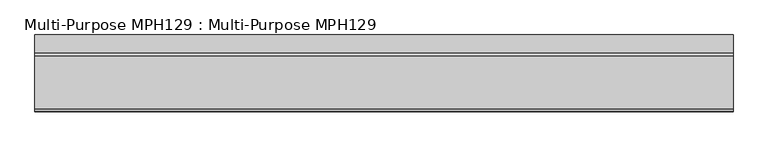
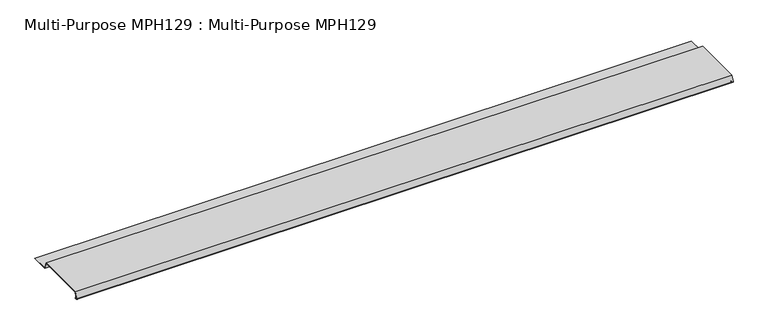
"""IFC4 building model written with IfcOpenShell, lengths in millimetres: proxy geometry, Multi-Purpose MPH129 : Multi-Purpose MPH129."""

from ifc_helpers import new_model, si_unit, point, frame, frame_2d, origin, place, context, project, spatial, polyline, circle_curve, trimmed, segment, composite_curve, outline, extrude, source, transform, mapped, element, save


def multi_purpose_mph129_multi_purpose_mph129_a3769326(model_context):
    return source(origin(), model_context, "Body", "SweptSolid", [
        extrude(outline(composite_curve([segment(polyline([(-236.730328, -28.1891155), (-237.2646426, -28.8016118), (-238.1457471, -28.0329753)]), True, "CONTINUOUS"), segment(trimmed(circle_curve(frame_2d((-239.4439646, -29.52115)), 1.97485), [point((-238.1457471, -28.0329753))], [point((-240.5337197, -27.8741934))], True, "CARTESIAN"), True, "CONTINUOUS"), segment(polyline([(-240.5337197, -27.8741934), (-243.3369511, -29.7290302)]), True, "CONTINUOUS"), segment(trimmed(circle_curve(frame_2d((-244.6509646, -27.74315)), 2.38125), [point((-243.3369511, -29.7290302))], [point((-246.8886076, -26.9287145))], False, "CARTESIAN"), True, "CONTINUOUS"), segment(polyline([(-246.8886076, -26.9287145), (-236.7915221, 0.8128), (-1.8415221, 0.8128), (9.4186978, -30.1244), (88.2477854, -30.1244), (88.2477854, -30.9372), (8.8495692, -30.9372), (-2.4106508, 0.0), (-236.2223934, 0.0), (-246.1248255, -27.2067085)]), True, "CONTINUOUS"), segment(trimmed(circle_curve(frame_2d((-244.6509646, -27.74315)), 1.56845), [point((-246.1248255, -27.2067085))], [point((-243.7854677, -29.0511831))], True, "CARTESIAN"), True, "CONTINUOUS"), segment(polyline([(-243.7854677, -29.0511831), (-240.9822363, -27.1963462)]), True, "CONTINUOUS"), segment(trimmed(circle_curve(frame_2d((-239.4439646, -29.52115)), 2.78765), [point((-240.9822363, -27.1963462))], [point((-237.6114325, -27.420479))], False, "CARTESIAN"), True, "CONTINUOUS"), segment(polyline([(-237.6114325, -27.420479), (-236.730328, -28.1891155)]), True, "CONTINUOUS")], self_intersect=False)), frame((-1102.2989423, 0.0, 0.0), z_axis=(1.0, 0.0, 0.0), x_axis=(0.0, 1.0, 0.0)), (0.0, 0.0, 1.0), 3048.0),
    ])


if __name__ == "__main__":
    model = new_model("IFC4")
    model_context = context("Model", 3, world=origin())
    ifc_project = project(units=[si_unit("LENGTHUNIT", "METRE", prefix="MILLI")], contexts=[model_context])
    site = spatial("IfcSite", under=ifc_project)
    building = spatial("IfcBuilding", under=site)
    placement = place(None, origin())
    multi_purpose_mph129_multi_purpose_mph129_shape = multi_purpose_mph129_multi_purpose_mph129_a3769326(model_context)
    element("IfcBuildingElementProxy", 1, Name="Multi-Purpose MPH129 : Multi-Purpose MPH129", ObjectType="Multi-Purpose MPH129 : Multi-Purpose MPH129", at=placement, inside=building, context=model_context, shape_type="MappedRepresentation", body=[
        mapped(multi_purpose_mph129_multi_purpose_mph129_shape, transform((0.0, 0.0, 0.0), x_axis=(1.0, 0.0, 0.0), y_axis=(0.0, 1.0, 0.0), z_axis=(0.0, 0.0, 1.0))),
    ])
    save(model, "model.ifc")
